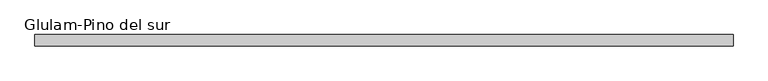
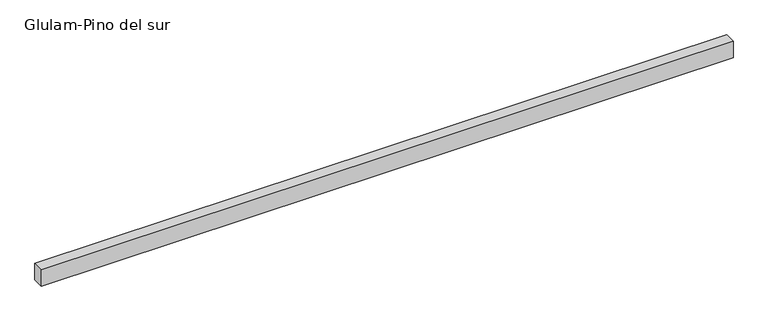
"""IFC4 building model written with IfcOpenShell, lengths in millimetres: beam geometry, Glulam-Pino del sur."""

from ifc_helpers import new_model, si_unit, frame, origin, place, context, project, spatial, polyline, outline, extrude, source, transform, mapped, element, save


def glulam_pino_del_sur_150bfac2(model_context):
    return source(origin(), model_context, "Body", "SweptSolid", [
        extrude(outline(polyline([(6260.9878421, 100.0), (6260.9878421, -100.0), (-5916.4886398, -100.0), (-5916.4886398, 100.0), (6260.9878421, 100.0)])), frame((0.0, 0.0, -150.0), z_axis=(0.0, 0.0, 1.0), x_axis=(1.0, 0.0, 0.0)), (0.0, 0.0, 1.0), 300.0),
    ])


if __name__ == "__main__":
    model = new_model("IFC4")
    model_context = context("Model", 3, world=origin())
    ifc_project = project(units=[si_unit("LENGTHUNIT", "METRE", prefix="MILLI")], contexts=[model_context])
    site = spatial("IfcSite", under=ifc_project)
    building = spatial("IfcBuilding", under=site)
    placement = place(None, origin())
    glulam_pino_del_sur_shape = glulam_pino_del_sur_150bfac2(model_context)
    element("IfcBeam", 1, ObjectType="Glulam-Pino del sur", at=placement, inside=building, context=model_context, shape_type="MappedRepresentation", body=[
        mapped(glulam_pino_del_sur_shape, transform((0.0, 0.0, 0.0), x_axis=(1.0, 0.0, 0.0), y_axis=(0.0, 1.0, 0.0), z_axis=(0.0, 0.0, 1.0))),
    ])
    save(model, "model.ifc")
